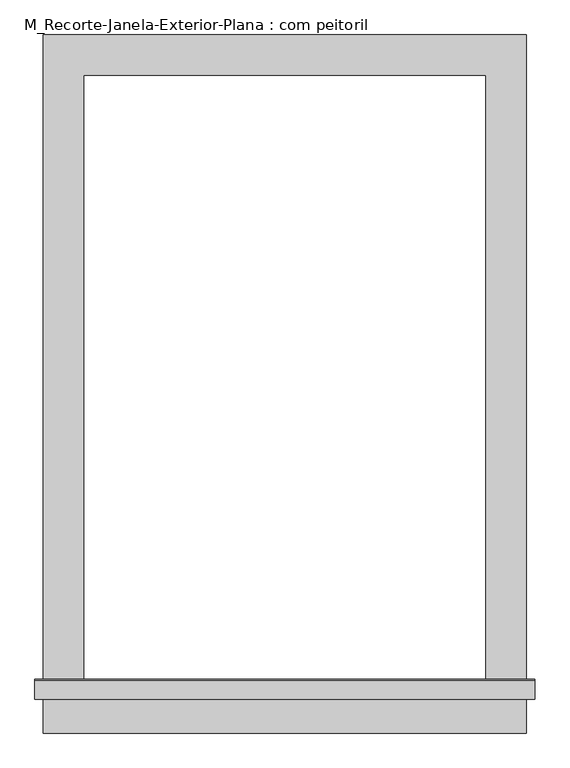
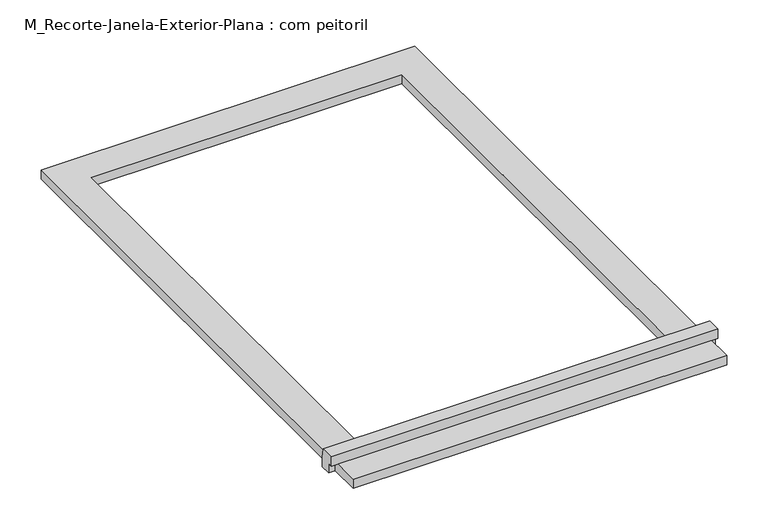
"""IFC4 building model written with IfcOpenShell, lengths in millimetres: proxy geometry, M_Recorte-Janela-Exterior-Plana : com peitoril."""

from ifc_helpers import new_model, si_unit, frame, origin, origin_with_axes, place, context, project, spatial, polyline, outline, extrude, source, transform, mapped, element, save


def m_recorte_janela_exterior_plana_com_peitoril_a9fd4a74(model_context):
    return source(origin(), model_context, "Body", "SweptSolid", [
        extrude(outline(polyline([(360.0, -920.4323709), (360.0, -980.4323709), (-360.0, -980.4323709), (-360.0, -920.4323709), (360.0, -920.4323709)])), origin_with_axes(), (0.0, 0.0, 1.0), 19.05),
        extrude(outline(polyline([(-930.0, 38.1), (-902.4580645, 38.1), (-900.0, 19.05), (-900.0, 0.0), (-920.4323709, 0.0), (-920.4323709, 19.05), (-930.0, 19.05), (-930.0, 38.1)])), frame((-372.7, 0.0, 0.0), z_axis=(1.0, 0.0, 0.0), x_axis=(0.0, 1.0, 0.0)), (0.0, 0.0, 1.0), 745.4),
        extrude(outline(polyline([(-360.0, 60.0), (360.0, 60.0), (360.0, -900.0), (300.0, -900.0), (300.0, 0.0), (-300.0, 0.0), (-300.0, -900.0), (-360.0, -900.0), (-360.0, 60.0)])), origin_with_axes(), (0.0, 0.0, 1.0), 19.05),
    ])


if __name__ == "__main__":
    model = new_model("IFC4")
    model_context = context("Model", 3, world=origin())
    ifc_project = project(units=[si_unit("LENGTHUNIT", "METRE", prefix="MILLI")], contexts=[model_context])
    site = spatial("IfcSite", under=ifc_project)
    building = spatial("IfcBuilding", under=site)
    placement = place(None, origin())
    m_recorte_janela_exterior_plana_com_peitoril_shape = m_recorte_janela_exterior_plana_com_peitoril_a9fd4a74(model_context)
    element("IfcBuildingElementProxy", 1, Name="M_Recorte-Janela-Exterior-Plana : com peitoril", ObjectType="M_Recorte-Janela-Exterior-Plana : com peitoril", at=placement, inside=building, context=model_context, shape_type="MappedRepresentation", body=[
        mapped(m_recorte_janela_exterior_plana_com_peitoril_shape, transform((0.0, 0.0, 0.0), x_axis=(1.0, 0.0, 0.0), y_axis=(0.0, 1.0, 0.0), z_axis=(0.0, 0.0, 1.0))),
    ])
    save(model, "model.ifc")
